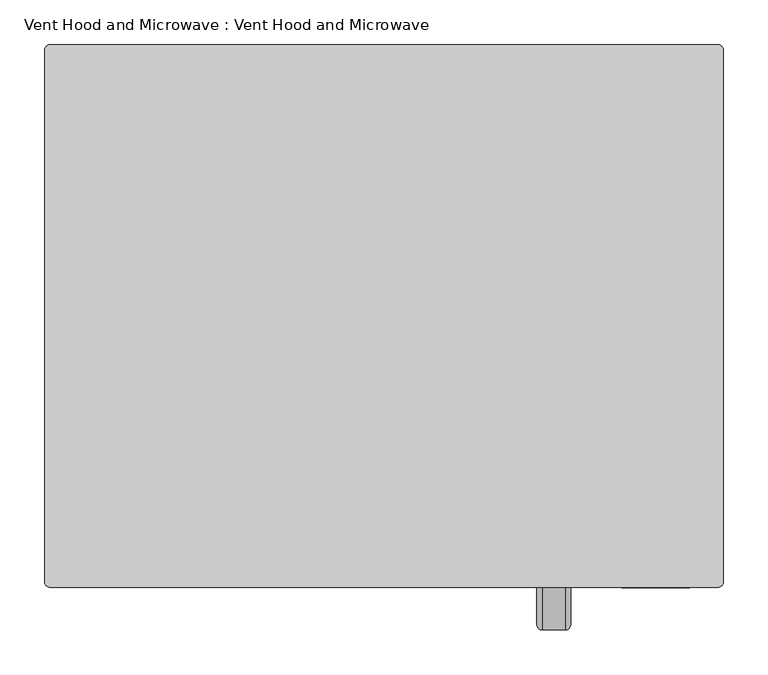
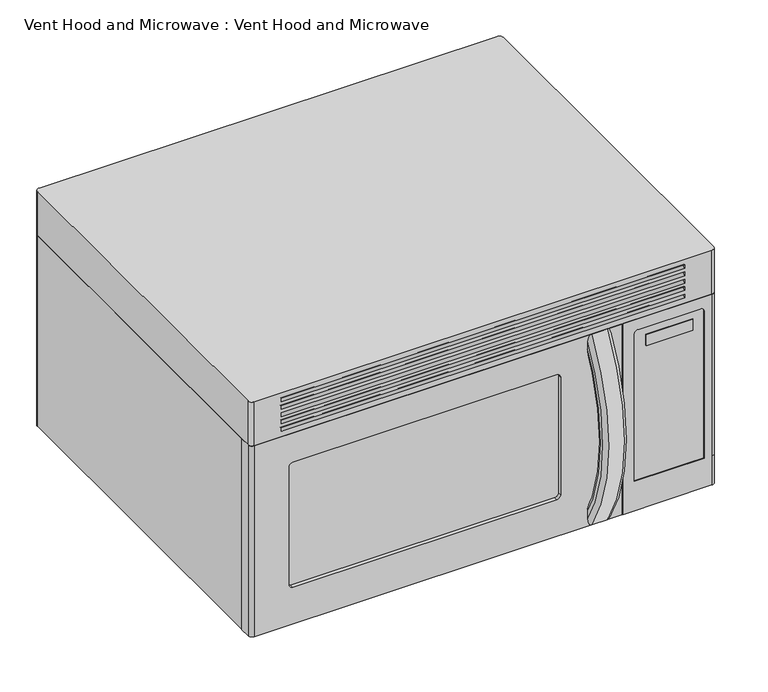
"""IFC4 building model written with IfcOpenShell, lengths in millimetres: proxy geometry, Vent Hood and Microwave : Vent Hood and Microwave."""

from ifc_helpers import new_model, si_unit, point, frame, origin, place, context, project, spatial, polyline, circle_curve, ellipse_curve, trimmed, outline, extrude, source, transform, mapped, element, save
from ifc_brep_helpers import plane_surface, cylinder_surface, revolved_surface, advanced_brep


def vent_hood_and_microwave_vent_hood_and_microwave_1915a9a3(model_context):
    return source(origin(), model_context, "Body", "SolidModel", [
        extrude(outline(polyline([(52.3788287, -76.2226698), (268.2788287, -76.2226698), (268.2788287, -368.3226698), (52.3788287, -368.3226698), (52.3788287, -76.2226698)])), frame((0.0, 0.0, -1.5875), z_axis=(0.0, 0.0, 1.0), x_axis=(1.0, 0.0, 0.0)), (0.0, 0.0, 1.0), 1.5875),
        extrude(outline(polyline([(46.0288287, -69.8726698), (274.6288287, -69.8726698), (274.6288287, -374.6726698), (46.0288287, -374.6726698), (46.0288287, -69.8726698)]), holes=[polyline([(52.3788287, -76.2226698), (52.3788287, -368.3226698), (268.2788287, -368.3226698), (268.2788287, -76.2226698), (52.3788287, -76.2226698)])]), frame((0.0, 0.0, -3.175), z_axis=(0.0, 0.0, 1.0), x_axis=(1.0, 0.0, 0.0)), (0.0, 0.0, 1.0), 3.175),
        extrude(outline(polyline([(-112.7211713, -76.2226698), (-112.7211713, -368.3226698), (-328.6211713, -368.3226698), (-328.6211713, -76.2226698), (-112.7211713, -76.2226698)])), frame((0.0, 0.0, -1.5875), z_axis=(0.0, 0.0, 1.0), x_axis=(1.0, 0.0, 0.0)), (0.0, 0.0, 1.0), 1.5875),
        extrude(outline(polyline([(-106.3711713, -69.8726698), (-106.3711713, -374.6726698), (-334.9711713, -374.6726698), (-334.9711713, -69.8726698), (-106.3711713, -69.8726698)]), holes=[polyline([(-112.7211713, -76.2226698), (-328.6211713, -76.2226698), (-328.6211713, -368.3226698), (-112.7211713, -368.3226698), (-112.7211713, -76.2226698)])]), frame((0.0, 0.0, -3.175), z_axis=(0.0, 0.0, 1.0), x_axis=(1.0, 0.0, 0.0)), (0.0, 0.0, 1.0), 3.175),
        advanced_brep(
        [(173.0288287, -510.9940669, 319.9832967), (147.6288287, -510.9940669, 319.9832967), (141.2788287, -516.3536012, 323.3888645), (141.2788287, -521.7131355, 326.7944322), (147.6288287, -527.0726698, 330.2), (173.0288287, -527.0726698, 330.2), (179.3788287, -521.7131355, 326.7944322), (179.3788287, -516.3536012, 323.3888645), (173.0288287, -510.9940669, 10.2167033), (179.3788287, -516.3536012, 6.8111355), (179.3788287, -521.7131355, 3.4055678), (173.0288287, -527.0726698, 0.0), (147.6288287, -527.0726698, 0.0), (141.2788287, -521.7131355, 3.4055678), (141.2788287, -516.3536012, 6.8111355), (147.6288287, -510.9940669, 10.2167033)],
        [
            (0, 1),
            (1, 2, circle_curve(frame((147.6288287, -516.3536012, 323.3888645), z_axis=(0.0, 0.5363098851818515, 0.8440211532042483), x_axis=(-1.0, 0.0, 0.0)), 6.35)),
            (2, 3),
            (3, 4, circle_curve(frame((147.6288287, -521.7131355, 326.7944322), z_axis=(0.0, 0.5363098851818515, 0.8440211532042483), x_axis=(-1.0, 0.0, 0.0)), 6.35)),
            (4, 5),
            (5, 6, circle_curve(frame((173.0288287, -521.7131355, 326.7944322), z_axis=(0.0, 0.5363098851818515, 0.8440211532042483), x_axis=(-1.0, 0.0, 0.0)), 6.35)),
            (6, 7),
            (7, 0, circle_curve(frame((173.0288287, -516.3536012, 323.3888645), z_axis=(0.0, 0.5363098851818515, 0.8440211532042483), x_axis=(-1.0, 0.0, 0.0)), 6.35)),
            (8, 9, circle_curve(frame((173.0288287, -516.3536012, 6.8111355), z_axis=(0.0, 0.5363098851818809, -0.8440211532042295), x_axis=(-1.0, 0.0, 0.0)), 6.35)),
            (9, 10),
            (10, 11, circle_curve(frame((173.0288287, -521.7131355, 3.4055678), z_axis=(0.0, 0.5363098851818809, -0.8440211532042295), x_axis=(-1.0, 0.0, 0.0)), 6.35)),
            (11, 12),
            (12, 13, circle_curve(frame((147.6288287, -521.7131355, 3.4055678), z_axis=(0.0, 0.5363098851818809, -0.8440211532042295), x_axis=(-1.0, 0.0, 0.0)), 6.35)),
            (13, 14),
            (14, 15, circle_curve(frame((147.6288287, -516.3536012, 6.8111355), z_axis=(0.0, 0.5363098851818809, -0.8440211532042295), x_axis=(-1.0, 0.0, 0.0)), 6.35)),
            (15, 8),
            (15, 1, circle_curve(frame((147.6288287, -267.2454762, 165.1), z_axis=(-1.0, 0.0, 0.0), x_axis=(0.0, -0.8440211532042483, 0.5363098851818515)), 288.7944097)),
            (0, 8, circle_curve(frame((173.0288287, -267.2454762, 165.1), z_axis=(1.0, 0.0, 0.0), x_axis=(0.0, -0.8440211532042483, 0.5363098851818515)), 288.7944097)),
            (14, 2, circle_curve(frame((141.2788287, -267.2454762, 165.1), z_axis=(-1.0, 0.0, 0.0), x_axis=(0.0, -0.8440211532042483, 0.5363098851818515)), 295.1444097)),
            (13, 3, circle_curve(frame((141.2788287, -267.2454762, 165.1), z_axis=(-1.0, 0.0, 0.0), x_axis=(0.0, -0.8440211532042483, 0.5363098851818515)), 301.4944097)),
            (12, 4, circle_curve(frame((147.6288287, -267.2454762, 165.1), z_axis=(-1.0, 0.0, 0.0), x_axis=(0.0, -0.8440211532042483, 0.5363098851818515)), 307.8444097)),
            (11, 5, circle_curve(frame((173.0288287, -267.2454762, 165.1), z_axis=(-1.0, 0.0, 0.0), x_axis=(0.0, -0.8440211532042483, 0.5363098851818515)), 307.8444097)),
            (10, 6, circle_curve(frame((179.3788287, -267.2454762, 165.1), z_axis=(-1.0, 0.0, 0.0), x_axis=(0.0, -0.8440211532042483, 0.5363098851818515)), 301.4944097)),
            (9, 7, circle_curve(frame((179.3788287, -267.2454762, 165.1), z_axis=(-1.0, 0.0, 0.0), x_axis=(0.0, -0.8440211532042483, 0.5363098851818515)), 295.1444097)),
        ],
        [
            plane_surface(frame((160.3288287, -527.0726698, 330.2), z_axis=(0.0, 0.5363098851818515, 0.8440211532042483), x_axis=(-1.0, 0.0, 0.0))),
            plane_surface(frame((160.3288287, -527.0726698, 0.0), z_axis=(0.0, 0.5363098851818812, -0.8440211532042295), x_axis=(-1.0, 0.0, 0.0))),
            revolved_surface(polyline([(173.0288287, -510.99406691393415, 319.9832967073676), (147.6288287, -510.99406691393415, 319.9832967073676)]), (160.3288287, -267.2454762, 165.1), (1.0, 0.0, 0.0)),
            revolved_surface(trimmed(ellipse_curve(frame((147.6288287, -516.3536012, 323.3888645), z_axis=(0.0, 0.5363098851818515, 0.8440211532042483), x_axis=(-1.0, 0.0, 0.0)), 6.35, 6.35), [point((147.6288287, -510.9940669, 319.9832967))], [point((141.2788287, -516.3536012, 323.3888645))], True, "CARTESIAN"), (160.3288287, -267.2454762, 165.1), (1.0, 0.0, 0.0)),
            plane_surface(frame((141.2788287, -267.2454762, 165.1), z_axis=(-1.0, 0.0, 0.0), x_axis=(0.0, -0.8440211532042483, 0.5363098851818515))),
            revolved_surface(trimmed(ellipse_curve(frame((147.6288287, -521.7131355, 326.7944322), z_axis=(0.0, 0.5363098851818515, 0.8440211532042483), x_axis=(-1.0, 0.0, 0.0)), 6.35, 6.35), [point((141.2788287, -521.7131355, 326.7944322))], [point((147.6288287, -527.0726698, 330.2))], True, "CARTESIAN"), (160.3288287, -267.2454762, 165.1), (1.0, 0.0, 0.0)),
            cylinder_surface(frame((160.3288287, -267.2454762, 165.1), z_axis=(1.0, 0.0, 0.0), x_axis=(0.0, -0.8440211532042483, 0.5363098851818515)), 307.8444097),
            revolved_surface(trimmed(ellipse_curve(frame((173.0288287, -521.7131355, 326.7944322), z_axis=(0.0, 0.5363098851818515, 0.8440211532042483), x_axis=(-1.0, 0.0, 0.0)), 6.35, 6.35), [point((173.0288287, -527.0726698, 330.2))], [point((179.3788287, -521.7131355, 326.7944322))], True, "CARTESIAN"), (160.3288287, -267.2454762, 165.1), (1.0, 0.0, 0.0)),
            plane_surface(frame((179.3788287, -267.2454762, 165.1), z_axis=(1.0, 0.0, 0.0), x_axis=(0.0, -0.8440211532042483, 0.5363098851818515))),
            revolved_surface(trimmed(ellipse_curve(frame((173.0288287, -516.3536012, 323.3888645), z_axis=(0.0, 0.5363098851818515, 0.8440211532042483), x_axis=(-1.0, 0.0, 0.0)), 6.35, 6.35), [point((179.3788287, -516.3536012, 323.3888645))], [point((173.0288287, -510.9940669, 319.9832967))], True, "CARTESIAN"), (160.3288287, -267.2454762, 165.1), (1.0, 0.0, 0.0)),
        ],
        [
            (0, [[1, 2, 3, 4, 5, 6, 7, 8]]),
            (1, [[9, 10, 11, 12, 13, 14, 15, 16]]),
            (2, [[17, -1, 18, -16]]),
            (3, [[19, -2, -17, -15]]),
            (4, [[20, -3, -19, -14]]),
            (5, [[21, -4, -20, -13]]),
            (6, [[22, -5, -21, -12]]),
            (7, [[23, -6, -22, -11]]),
            (8, [[24, -7, -23, -10]]),
            (9, [[-18, -8, -24, -9]]),
        ],
    ),
        extrude(outline(polyline([(109.5288287, -520.7226698), (-360.3711713, -520.7226698), (-360.3711713, -517.5476698), (109.5288287, -517.5476698), (109.5288287, -520.7226698)])), frame((0.0, 0.0, 50.8), z_axis=(0.0, 0.0, 1.0), x_axis=(1.0, 0.0, 0.0)), (0.0, 0.0, 1.0), 241.3),
        advanced_brep(
        [(196.8413287, -503.2601698, 330.2), (-411.1711713, -503.2601698, 330.2), (-411.1711713, -520.7226698, 330.2), (-404.8211713, -527.0726698, 330.2), (196.8413287, -527.0726698, 330.2), (196.8413287, -503.2601698, 0.0), (196.8413287, -527.0726698, 0.0), (-404.8211713, -527.0726698, 0.0), (-411.1711713, -520.7226698, 0.0), (-411.1711713, -503.2601698, 0.0), (96.8288287, -503.2601698, 69.85), (96.8288287, -503.2601698, 273.05), (90.4788287, -503.2601698, 279.4), (-341.3211713, -503.2601698, 279.4), (-347.6711713, -503.2601698, 273.05), (-347.6711713, -503.2601698, 69.85), (-341.3211713, -503.2601698, 63.5), (90.4788287, -503.2601698, 63.5), (96.8288287, -527.0726698, 273.05), (96.8288287, -527.0726698, 69.85), (90.4788287, -527.0726698, 63.5), (-341.3211713, -527.0726698, 63.5), (-347.6711713, -527.0726698, 69.85), (-347.6711713, -527.0726698, 273.05), (-341.3211713, -527.0726698, 279.4), (90.4788287, -527.0726698, 279.4)],
        [
            (0, 1),
            (1, 2),
            (2, 3, circle_curve(frame((-404.8211713, -520.7226698, 330.2), z_axis=(0.0, 0.0, 1.0), x_axis=(1.0, 0.0, 0.0)), 6.35)),
            (3, 4),
            (4, 0),
            (5, 6),
            (6, 7),
            (7, 8, circle_curve(frame((-404.8211713, -520.7226698, 0.0), z_axis=(0.0, 0.0, -1.0), x_axis=(1.0, 0.0, 0.0)), 6.35)),
            (8, 9),
            (9, 5),
            (0, 5),
            (9, 1),
            (10, 11),
            (11, 12, circle_curve(frame((90.4788287, -503.2601698, 273.05), z_axis=(0.0, -1.0, 0.0), x_axis=(0.0, 0.0, 1.0)), 6.35)),
            (12, 13),
            (13, 14, circle_curve(frame((-341.3211713, -503.2601698, 273.05), z_axis=(0.0, -1.0, 0.0), x_axis=(0.0, 0.0, 1.0)), 6.35)),
            (14, 15),
            (15, 16, circle_curve(frame((-341.3211713, -503.2601698, 69.85), z_axis=(0.0, -1.0, 0.0), x_axis=(0.0, 0.0, 1.0)), 6.35)),
            (16, 17),
            (17, 10, circle_curve(frame((90.4788287, -503.2601698, 69.85), z_axis=(0.0, -1.0, 0.0), x_axis=(0.0, 0.0, 1.0)), 6.35)),
            (8, 2),
            (7, 3),
            (6, 4),
            (18, 19),
            (19, 20, circle_curve(frame((90.4788287, -527.0726698, 69.85), z_axis=(0.0, 1.0, 0.0), x_axis=(0.0, 0.0, 1.0)), 6.35)),
            (20, 21),
            (21, 22, circle_curve(frame((-341.3211713, -527.0726698, 69.85), z_axis=(0.0, 1.0, 0.0), x_axis=(0.0, 0.0, 1.0)), 6.35)),
            (22, 23),
            (23, 24, circle_curve(frame((-341.3211713, -527.0726698, 273.05), z_axis=(0.0, 1.0, 0.0), x_axis=(0.0, 0.0, 1.0)), 6.35)),
            (24, 25),
            (25, 18, circle_curve(frame((90.4788287, -527.0726698, 273.05), z_axis=(0.0, 1.0, 0.0), x_axis=(0.0, 0.0, 1.0)), 6.35)),
            (11, 18),
            (25, 12),
            (10, 19),
            (17, 20),
            (16, 21),
            (15, 22),
            (14, 23),
            (13, 24),
        ],
        [
            plane_surface(frame((-411.1711713, -503.2601698, 330.2), z_axis=(0.0, 0.0, 1.0), x_axis=(-1.0, 0.0, 0.0))),
            plane_surface(frame((-411.1711713, -503.2601698, 0.0), z_axis=(0.0, 0.0, -1.0), x_axis=(1.0, 0.0, 0.0))),
            plane_surface(frame((196.8413287, -503.2601698, 330.2), z_axis=(0.0, 1.0, 0.0), x_axis=(0.0, 0.0, -1.0))),
            plane_surface(frame((-411.1711713, -503.2601698, 330.2), z_axis=(-1.0, 0.0, 0.0), x_axis=(0.0, 0.0, -1.0))),
            cylinder_surface(frame((-404.8211713, -520.7226698, 0.0), z_axis=(0.0, 0.0, 1.0), x_axis=(1.0, 0.0, 0.0)), 6.35),
            plane_surface(frame((-404.8211713, -527.0726698, 330.2), z_axis=(0.0, -1.0, 0.0), x_axis=(0.0, 0.0, -1.0))),
            plane_surface(frame((196.8413287, -527.0726698, 330.2), z_axis=(1.0, 0.0, 0.0), x_axis=(0.0, 0.0, -1.0))),
            revolved_surface(polyline([(90.4788287, -503.2601698, 279.40000000000003), (90.4788287, -527.0726698, 279.40000000000003)]), (90.4788287, -527.0726698, 273.05), (0.0, 1.0, 0.0)),
            plane_surface(frame((96.8288287, -476.2726698, 273.05), z_axis=(-1.0, 0.0, 0.0), x_axis=(0.0, -1.0, 0.0))),
            revolved_surface(polyline([(90.4788287, -503.2601698, 76.19999999999999), (90.4788287, -527.0726698, 76.19999999999999)]), (90.4788287, -527.0726698, 69.85), (0.0, 1.0, 0.0)),
            plane_surface(frame((90.4788287, -476.2726698, 63.5), z_axis=(0.0, 0.0, 1.0), x_axis=(0.0, -1.0, 0.0))),
            revolved_surface(polyline([(-341.3211713, -503.2601698, 76.19999999999999), (-341.3211713, -527.0726698, 76.19999999999999)]), (-341.3211713, -527.0726698, 69.85), (0.0, 1.0, 0.0)),
            plane_surface(frame((-347.6711713, -476.2726698, 69.85), z_axis=(1.0, 0.0, 0.0), x_axis=(0.0, -1.0, 0.0))),
            revolved_surface(polyline([(-341.3211713, -503.2601698, 279.40000000000003), (-341.3211713, -527.0726698, 279.40000000000003)]), (-341.3211713, -527.0726698, 273.05), (0.0, 1.0, 0.0)),
            plane_surface(frame((-341.3211713, -476.2726698, 279.4), z_axis=(0.0, 0.0, -1.0), x_axis=(0.0, -1.0, 0.0))),
        ],
        [
            (0, [[1, 2, 3, 4, 5]]),
            (1, [[6, 7, 8, 9, 10]]),
            (2, [[-1, 11, -10, 12], [13, 14, 15, 16, 17, 18, 19, 20]]),
            (3, [[-2, -12, -9, 21]]),
            (4, [[-3, -21, -8, 22]]),
            (5, [[-4, -22, -7, 23], [24, 25, 26, 27, 28, 29, 30, 31]]),
            (6, [[-5, -23, -6, -11]]),
            (7, [[32, -31, 33, -14]]),
            (8, [[-32, -13, 34, -24]]),
            (9, [[35, -25, -34, -20]]),
            (10, [[-35, -19, 36, -26]]),
            (11, [[37, -27, -36, -18]]),
            (12, [[-37, -17, 38, -28]]),
            (13, [[39, -29, -38, -16]]),
            (14, [[-39, -15, -33, -30]]),
        ],
    ),
        extrude(outline(polyline([(312.7288287, -527.8664198), (236.5288287, -527.8664198), (236.5288287, -527.0726698), (312.7288287, -527.0726698), (312.7288287, -527.8664198)])), frame((0.0, 0.0, 279.413632), z_axis=(0.0, 0.0, 1.0), x_axis=(1.0, 0.0, 0.0)), (0.0, 0.0, 1.0), 19.05),
        advanced_brep(
        [(-411.1711713, 76.1773302, 330.2), (-411.1711713, -501.6726698, 330.2), (-385.7711713, -501.6726698, 330.2), (-385.7711713, 57.1273302, 330.2), (198.4288287, 57.1273302, 330.2), (198.4288287, -527.0726698, 330.2), (344.4788287, -527.0726698, 330.2), (350.8288287, -520.7226698, 330.2), (350.8288287, 76.1773302, 330.2), (344.4788287, 82.5273302, 330.2), (-404.8211713, 82.5273302, 330.2), (-411.1711713, 76.1773302, 50.8), (-411.1711713, 76.1773302, 0.0), (-411.1711713, -501.6726698, 0.0), (198.4288287, -501.6726698, 0.0), (198.4288287, -501.6726698, 50.8), (-385.7711713, -501.6726698, 50.8), (-385.7711713, 57.1273302, 50.8), (198.4288287, 57.1273302, 50.8), (198.4288287, -527.0726698, 0.0), (344.4788287, -527.0726698, 0.0), (344.4788287, -527.0726698, 50.8), (331.7788287, -527.0726698, 304.813632), (331.7788287, -527.0726698, 50.8), (217.4788287, -527.0726698, 50.8), (217.4788287, -527.0726698, 304.813632), (223.8288287, -527.0726698, 311.163632), (325.4288287, -527.0726698, 311.163632), (350.8288287, -520.7226698, 50.8), (350.8288287, -520.7226698, 0.0), (350.8288287, 76.1773302, 0.0), (350.8288287, 76.1773302, 50.8), (344.4788287, 82.5273302, 50.8), (344.4788287, 82.5273302, 0.0), (-404.8211713, 82.5273302, 0.0), (-404.8211713, 82.5273302, 50.8), (331.7788287, -525.4851698, 304.813632), (325.4288287, -525.4851698, 311.163632), (223.8288287, -525.4851698, 311.163632), (217.4788287, -525.4851698, 304.813632), (217.4788287, -525.4851698, 50.8), (331.7788287, -525.4851698, 50.8)],
        [
            (0, 1),
            (1, 2),
            (2, 3),
            (3, 4),
            (4, 5),
            (5, 6),
            (6, 7, circle_curve(frame((344.4788287, -520.7226698, 330.2), z_axis=(0.0, 0.0, 1.0), x_axis=(1.0, 0.0, 0.0)), 6.35)),
            (7, 8),
            (8, 9, circle_curve(frame((344.4788287, 76.1773302, 330.2), z_axis=(0.0, 0.0, 1.0), x_axis=(1.0, 0.0, 0.0)), 6.35)),
            (9, 10),
            (10, 0, circle_curve(frame((-404.8211713, 76.1773302, 330.2), z_axis=(0.0, 0.0, 1.0), x_axis=(1.0, 0.0, 0.0)), 6.35)),
            (0, 11),
            (11, 12),
            (12, 13),
            (13, 1),
            (13, 14),
            (14, 15),
            (15, 16),
            (16, 2),
            (16, 17),
            (17, 3),
            (17, 18),
            (18, 4),
            (18, 15),
            (14, 19),
            (19, 5),
            (19, 20),
            (20, 21),
            (21, 6),
            (22, 23),
            (23, 24),
            (24, 25),
            (25, 26, circle_curve(frame((223.8288287, -527.0726698, 304.813632), z_axis=(0.0, 1.0, 0.0), x_axis=(0.0, 0.0, 1.0)), 6.35)),
            (26, 27),
            (27, 22, circle_curve(frame((325.4288287, -527.0726698, 304.813632), z_axis=(0.0, 1.0, 0.0), x_axis=(0.0, 0.0, 1.0)), 6.35)),
            (21, 28, circle_curve(frame((344.4788287, -520.7226698, 50.8), z_axis=(0.0, 0.0, 1.0), x_axis=(1.0, 0.0, 0.0)), 6.35)),
            (28, 7),
            (28, 29),
            (29, 30),
            (30, 31),
            (31, 8),
            (31, 32, circle_curve(frame((344.4788287, 76.1773302, 50.8), z_axis=(0.0, 0.0, 1.0), x_axis=(1.0, 0.0, 0.0)), 6.35)),
            (32, 9),
            (32, 33),
            (33, 34),
            (34, 35),
            (35, 10),
            (35, 11, circle_curve(frame((-404.8211713, 76.1773302, 50.8), z_axis=(0.0, 0.0, 1.0), x_axis=(1.0, 0.0, 0.0)), 6.35)),
            (36, 37, circle_curve(frame((325.4288287, -525.4851698, 304.813632), z_axis=(0.0, -1.0, 0.0), x_axis=(0.0, 0.0, 1.0)), 6.35)),
            (37, 38),
            (38, 39, circle_curve(frame((223.8288287, -525.4851698, 304.813632), z_axis=(0.0, -1.0, 0.0), x_axis=(0.0, 0.0, 1.0)), 6.35)),
            (39, 40),
            (40, 41),
            (41, 36),
            (39, 25),
            (24, 40),
            (38, 26),
            (37, 27),
            (36, 22),
            (41, 23),
            (12, 34, circle_curve(frame((-404.8211713, 76.1773302, 0.0), z_axis=(0.0, 0.0, -1.0), x_axis=(1.0, 0.0, 0.0)), 6.35)),
            (33, 30, circle_curve(frame((344.4788287, 76.1773302, 0.0), z_axis=(0.0, 0.0, -1.0), x_axis=(1.0, 0.0, 0.0)), 6.35)),
            (29, 20, circle_curve(frame((344.4788287, -520.7226698, 0.0), z_axis=(0.0, 0.0, -1.0), x_axis=(1.0, 0.0, 0.0)), 6.35)),
        ],
        [
            plane_surface(frame((-411.1711713, -501.6726698, 330.2), z_axis=(0.0, 0.0, 1.0), x_axis=(0.0, -1.0, 0.0))),
            plane_surface(frame((-411.1711713, 76.1773302, 330.2), z_axis=(-1.0, 0.0, 0.0), x_axis=(0.0, 0.0, -1.0))),
            plane_surface(frame((-411.1711713, -501.6726698, 330.2), z_axis=(0.0, -1.0, 0.0), x_axis=(0.0, 0.0, -1.0))),
            plane_surface(frame((-385.7711713, -501.6726698, 330.2), z_axis=(1.0, 0.0, 0.0), x_axis=(0.0, 0.0, -1.0))),
            plane_surface(frame((-385.7711713, 57.1273302, 330.2), z_axis=(0.0, -1.0, 0.0), x_axis=(0.0, 0.0, -1.0))),
            plane_surface(frame((198.4288287, 57.1273302, 330.2), z_axis=(-1.0, 0.0, 0.0), x_axis=(0.0, 0.0, -1.0))),
            plane_surface(frame((198.4288287, -527.0726698, 330.2), z_axis=(0.0, -1.0, 0.0), x_axis=(0.0, 0.0, -1.0))),
            cylinder_surface(frame((344.4788287, -520.7226698, 50.8), z_axis=(0.0, 0.0, 1.0), x_axis=(1.0, 0.0, 0.0)), 6.35),
            plane_surface(frame((350.8288287, -520.7226698, 330.2), z_axis=(1.0, 0.0, 0.0), x_axis=(0.0, 0.0, -1.0))),
            cylinder_surface(frame((344.4788287, 76.1773302, 50.8), z_axis=(0.0, 0.0, 1.0), x_axis=(1.0, 0.0, 0.0)), 6.35),
            plane_surface(frame((344.4788287, 82.5273302, 330.2), z_axis=(0.0, 1.0, 0.0), x_axis=(0.0, 0.0, -1.0))),
            cylinder_surface(frame((-404.8211713, 76.1773302, 50.8), z_axis=(0.0, 0.0, 1.0), x_axis=(1.0, 0.0, 0.0)), 6.35),
            plane_surface(frame((223.8288287, -525.4851698, 19.063632), z_axis=(0.0, -1.0, 0.0), x_axis=(-1.0, 0.0, 0.0))),
            plane_surface(frame((217.4788287, -525.4851698, 25.413632), z_axis=(1.0, 0.0, 0.0), x_axis=(0.0, -1.0, 0.0))),
            revolved_surface(polyline([(223.8288287, -525.4851698, 311.163632), (223.8288287, -527.0726698, 311.163632)]), (223.8288287, -527.0726698, 304.813632), (0.0, 1.0, 0.0)),
            plane_surface(frame((223.8288287, -525.4851698, 311.163632), z_axis=(0.0, 0.0, -1.0), x_axis=(0.0, -1.0, 0.0))),
            revolved_surface(polyline([(325.4288287, -525.4851698, 311.163632), (325.4288287, -527.0726698, 311.163632)]), (325.4288287, -527.0726698, 304.813632), (0.0, 1.0, 0.0)),
            plane_surface(frame((331.7788287, -525.4851698, 304.813632), z_axis=(-1.0, 0.0, 0.0), x_axis=(0.0, -1.0, 0.0))),
            plane_surface(frame((-411.1711713, -501.6726698, 50.8), z_axis=(0.0, 0.0, 1.0), x_axis=(0.0, -1.0, 0.0))),
            plane_surface(frame((-411.1711713, -501.6726698, 0.0), z_axis=(0.0, 0.0, -1.0), x_axis=(0.0, 1.0, 0.0))),
            cylinder_surface(frame((344.4788287, -520.7226698, 0.0), z_axis=(0.0, 0.0, 1.0), x_axis=(1.0, 0.0, 0.0)), 6.35),
            cylinder_surface(frame((344.4788287, 76.1773302, 0.0), z_axis=(0.0, 0.0, 1.0), x_axis=(1.0, 0.0, 0.0)), 6.35),
            cylinder_surface(frame((-404.8211713, 76.1773302, 0.0), z_axis=(0.0, 0.0, 1.0), x_axis=(1.0, 0.0, 0.0)), 6.35),
        ],
        [
            (0, [[1, 2, 3, 4, 5, 6, 7, 8, 9, 10, 11]]),
            (1, [[-1, 12, 13, 14, 15]]),
            (2, [[-2, -15, 16, 17, 18, 19]]),
            (3, [[-3, -19, 20, 21]]),
            (4, [[-4, -21, 22, 23]]),
            (5, [[-5, -23, 24, -17, 25, 26]]),
            (6, [[-6, -26, 27, 28, 29], [30, 31, 32, 33, 34, 35]]),
            (7, [[-7, -29, 36, 37]]),
            (8, [[-8, -37, 38, 39, 40, 41]]),
            (9, [[-9, -41, 42, 43]]),
            (10, [[-10, -43, 44, 45, 46, 47]]),
            (11, [[-11, -47, 48, -12]]),
            (12, [[49, 50, 51, 52, 53, 54]]),
            (13, [[55, -32, 56, -52]]),
            (14, [[-51, 57, -33, -55]]),
            (15, [[-50, 58, -34, -57]]),
            (16, [[-49, 59, -35, -58]]),
            (17, [[-59, -54, 60, -30]]),
            (18, [[-31, -60, -53, -56]]),
            (18, [[-18, -24, -22, -20]]),
            (19, [[61, -45, 62, -39, 63, -27, -25, -16, -14]]),
            (20, [[-63, -38, -36, -28]]),
            (21, [[-62, -44, -42, -40]]),
            (22, [[-61, -13, -48, -46]]),
        ],
    ),
        advanced_brep(
        [(344.4788287, 82.5273302, 330.2), (350.8288287, 76.1773302, 330.2), (350.8288287, -520.7226698, 330.2), (344.4788287, -527.0726698, 330.2), (-404.8211713, -527.0726698, 330.2), (-411.1711713, -520.7226698, 330.2), (-411.1711713, 76.1773302, 330.2), (-404.8211713, 82.5273302, 330.2), (344.4788287, 82.5273302, 406.4), (-404.8211713, 82.5273302, 406.4), (-411.1711713, 76.1773302, 406.4), (-411.1711713, -520.7226698, 406.4), (-404.8211713, -527.0726698, 406.4), (344.4788287, -527.0726698, 406.4), (350.8288287, -520.7226698, 406.4), (350.8288287, 76.1773302, 406.4), (-360.3711713, -527.0726698, 390.4959324), (-360.3711713, -527.0726698, 396.9040676), (300.0288287, -527.0726698, 396.9040676), (300.0288287, -527.0726698, 390.4959324), (-360.3711713, -527.0726698, 365.125), (-360.3711713, -527.0726698, 371.475), (300.0288287, -527.0726698, 371.475), (300.0288287, -527.0726698, 365.125), (-360.3711713, -527.0726698, 377.825), (-360.3711713, -527.0726698, 384.175), (300.0288287, -527.0726698, 384.175), (300.0288287, -527.0726698, 377.825), (-360.3711713, -527.0726698, 339.725), (-360.3711713, -527.0726698, 346.075), (300.0288287, -527.0726698, 346.075), (300.0288287, -527.0726698, 339.725), (-360.3711713, -527.0726698, 352.425), (-360.3711713, -527.0726698, 358.775), (300.0288287, -527.0726698, 358.775), (300.0288287, -527.0726698, 352.425)],
        [
            (0, 1, circle_curve(frame((344.4788287, 76.1773302, 330.2), z_axis=(0.0, 0.0, -1.0), x_axis=(0.0, -1.0, 0.0)), 6.35)),
            (1, 2),
            (2, 3, circle_curve(frame((344.4788287, -520.7226698, 330.2), z_axis=(0.0, 0.0, -1.0), x_axis=(0.0, -1.0, 0.0)), 6.35)),
            (3, 4),
            (4, 5, circle_curve(frame((-404.8211713, -520.7226698, 330.2), z_axis=(0.0, 0.0, -1.0), x_axis=(0.0, -1.0, 0.0)), 6.35)),
            (5, 6),
            (6, 7, circle_curve(frame((-404.8211713, 76.1773302, 330.2), z_axis=(0.0, 0.0, -1.0), x_axis=(0.0, -1.0, 0.0)), 6.35)),
            (7, 0),
            (8, 9),
            (9, 10, circle_curve(frame((-404.8211713, 76.1773302, 406.4), z_axis=(0.0, 0.0, 1.0), x_axis=(0.0, -1.0, 0.0)), 6.35)),
            (10, 11),
            (11, 12, circle_curve(frame((-404.8211713, -520.7226698, 406.4), z_axis=(0.0, 0.0, 1.0), x_axis=(0.0, -1.0, 0.0)), 6.35)),
            (12, 13),
            (13, 14, circle_curve(frame((344.4788287, -520.7226698, 406.4), z_axis=(0.0, 0.0, 1.0), x_axis=(0.0, -1.0, 0.0)), 6.35)),
            (14, 15),
            (15, 8, circle_curve(frame((344.4788287, 76.1773302, 406.4), z_axis=(0.0, 0.0, 1.0), x_axis=(0.0, -1.0, 0.0)), 6.35)),
            (0, 8),
            (15, 1),
            (14, 2),
            (13, 3),
            (12, 4),
            (16, 17),
            (17, 18),
            (18, 19),
            (19, 16),
            (20, 21),
            (21, 22),
            (22, 23),
            (23, 20),
            (24, 25),
            (25, 26),
            (26, 27),
            (27, 24),
            (28, 29),
            (29, 30),
            (30, 31),
            (31, 28),
            (32, 33),
            (33, 34),
            (34, 35),
            (35, 32),
            (11, 5),
            (10, 6),
            (9, 7),
            (16, 17, circle_curve(frame((-360.3711713, -527.0726698, 393.7), z_axis=(1.0, 0.0, 0.0), x_axis=(0.0, 0.0, 1.0)), 3.2040676)),
            (18, 19, circle_curve(frame((300.0288287, -527.0726698, 393.7), z_axis=(-1.0, 0.0, 0.0), x_axis=(0.0, 0.0, 1.0)), 3.2040676)),
            (24, 25, circle_curve(frame((-360.3711713, -527.0726698, 381.0), z_axis=(1.0, 0.0, 0.0), x_axis=(0.0, 0.0, 1.0)), 3.175)),
            (28, 29, circle_curve(frame((-360.3711713, -527.0726698, 342.9), z_axis=(1.0, 0.0, 0.0), x_axis=(0.0, 0.0, 1.0)), 3.175)),
            (32, 33, circle_curve(frame((-360.3711713, -527.0726698, 355.6), z_axis=(1.0, 0.0, 0.0), x_axis=(0.0, 0.0, 1.0)), 3.175)),
            (20, 21, circle_curve(frame((-360.3711713, -527.0726698, 368.3), z_axis=(1.0, 0.0, 0.0), x_axis=(0.0, 0.0, 1.0)), 3.175)),
            (22, 23, circle_curve(frame((300.0288287, -527.0726698, 368.3), z_axis=(-1.0, 0.0, 0.0), x_axis=(0.0, 0.0, 1.0)), 3.175)),
            (34, 35, circle_curve(frame((300.0288287, -527.0726698, 355.6), z_axis=(-1.0, 0.0, 0.0), x_axis=(0.0, 0.0, 1.0)), 3.175)),
            (30, 31, circle_curve(frame((300.0288287, -527.0726698, 342.9), z_axis=(-1.0, 0.0, 0.0), x_axis=(0.0, 0.0, 1.0)), 3.175)),
            (26, 27, circle_curve(frame((300.0288287, -527.0726698, 381.0), z_axis=(-1.0, 0.0, 0.0), x_axis=(0.0, 0.0, 1.0)), 3.175)),
        ],
        [
            plane_surface(frame((344.4788287, 69.8273302, 330.2), z_axis=(0.0, 0.0, -1.0), x_axis=(-1.0, 0.0, 0.0))),
            plane_surface(frame((344.4788287, 69.8273302, 406.4), z_axis=(0.0, 0.0, 1.0), x_axis=(1.0, 0.0, 0.0))),
            cylinder_surface(frame((344.4788287, 76.1773302, 406.4), z_axis=(0.0, 0.0, -1.0), x_axis=(0.0, -1.0, 0.0)), 6.35),
            plane_surface(frame((350.8288287, 76.1773302, 330.2), z_axis=(1.0, 0.0, 0.0), x_axis=(0.0, 0.0, 1.0))),
            cylinder_surface(frame((344.4788287, -520.7226698, 406.4), z_axis=(0.0, 0.0, -1.0), x_axis=(0.0, -1.0, 0.0)), 6.35),
            plane_surface(frame((344.4788287, -527.0726698, 330.2), z_axis=(0.0, -1.0, 0.0), x_axis=(0.0, 0.0, 1.0))),
            cylinder_surface(frame((-404.8211713, -520.7226698, 406.4), z_axis=(0.0, 0.0, -1.0), x_axis=(0.0, -1.0, 0.0)), 6.35),
            plane_surface(frame((-411.1711713, -520.7226698, 330.2), z_axis=(-1.0, 0.0, 0.0), x_axis=(0.0, 0.0, 1.0))),
            cylinder_surface(frame((-404.8211713, 76.1773302, 406.4), z_axis=(0.0, 0.0, -1.0), x_axis=(0.0, -1.0, 0.0)), 6.35),
            plane_surface(frame((-404.8211713, 82.5273302, 330.2), z_axis=(0.0, 1.0, 0.0), x_axis=(0.0, 0.0, 1.0))),
            plane_surface(frame((-360.3711713, -527.0726698, 393.7), z_axis=(1.0, 0.0, 0.0), x_axis=(0.0, -1.0, 0.0))),
            plane_surface(frame((300.0288287, -527.0726698, 393.7), z_axis=(-1.0, 0.0, 0.0), x_axis=(0.0, -1.0, 0.0))),
            revolved_surface(polyline([(-360.3711713, -527.0726698, 396.90406759999996), (300.0288287000001, -527.0726698, 396.90406759999996)]), (-360.3711713, -527.0726698, 393.7), (-1.0, 0.0, 0.0)),
            plane_surface(frame((-360.3711713, -527.0726698, 381.0), z_axis=(1.0, 0.0, 0.0), x_axis=(0.0, -1.0, 0.0))),
            plane_surface(frame((300.0288287, -527.0726698, 381.0), z_axis=(-1.0, 0.0, 0.0), x_axis=(0.0, -1.0, 0.0))),
            revolved_surface(polyline([(-360.3711713, -527.0726698, 371.475), (300.0288287000001, -527.0726698, 371.475)]), (-360.3711713, -527.0726698, 368.3), (-1.0, 0.0, 0.0)),
            revolved_surface(polyline([(-360.3711713, -527.0726698, 358.77500000000003), (300.0288287000001, -527.0726698, 358.77500000000003)]), (-360.3711713, -527.0726698, 355.6), (-1.0, 0.0, 0.0)),
            revolved_surface(polyline([(-360.3711713, -527.0726698, 346.075), (300.0288287000001, -527.0726698, 346.075)]), (-360.3711713, -527.0726698, 342.9), (-1.0, 0.0, 0.0)),
            revolved_surface(polyline([(-360.3711713, -527.0726698, 384.175), (300.0288287000001, -527.0726698, 384.175)]), (-360.3711713, -527.0726698, 381.0), (-1.0, 0.0, 0.0)),
        ],
        [
            (0, [[1, 2, 3, 4, 5, 6, 7, 8]]),
            (1, [[9, 10, 11, 12, 13, 14, 15, 16]]),
            (2, [[-1, 17, -16, 18]]),
            (3, [[-2, -18, -15, 19]]),
            (4, [[-3, -19, -14, 20]]),
            (5, [[-4, -20, -13, 21], [22, 23, 24, 25], [26, 27, 28, 29], [30, 31, 32, 33], [34, 35, 36, 37], [38, 39, 40, 41]]),
            (6, [[-5, -21, -12, 42]]),
            (7, [[-6, -42, -11, 43]]),
            (8, [[-7, -43, -10, 44]]),
            (9, [[-8, -44, -9, -17]]),
            (10, [[45, -22]]),
            (11, [[46, -24]]),
            (12, [[-45, -25, -46, -23]]),
            (13, [[47, -30]]),
            (13, [[48, -34]]),
            (13, [[49, -38]]),
            (13, [[50, -26]]),
            (14, [[51, -28]]),
            (14, [[52, -40]]),
            (14, [[53, -36]]),
            (14, [[54, -32]]),
            (15, [[-50, -29, -51, -27]]),
            (16, [[-49, -41, -52, -39]]),
            (17, [[-48, -37, -53, -35]]),
            (18, [[-47, -33, -54, -31]]),
        ],
    ),
    ])


if __name__ == "__main__":
    model = new_model("IFC4")
    model_context = context("Model", 3, world=origin())
    ifc_project = project(units=[si_unit("LENGTHUNIT", "METRE", prefix="MILLI")], contexts=[model_context])
    site = spatial("IfcSite", under=ifc_project)
    building = spatial("IfcBuilding", under=site)
    placement = place(None, origin())
    vent_hood_and_microwave_vent_hood_and_microwave_shape = vent_hood_and_microwave_vent_hood_and_microwave_1915a9a3(model_context)
    element("IfcBuildingElementProxy", 1, Name="Vent Hood and Microwave : Vent Hood and Microwave", ObjectType="Vent Hood and Microwave : Vent Hood and Microwave", at=placement, inside=building, context=model_context, shape_type="MappedRepresentation", body=[
        mapped(vent_hood_and_microwave_vent_hood_and_microwave_shape, transform((0.0, 0.0, 0.0), x_axis=(1.0, 0.0, 0.0), y_axis=(0.0, 1.0, 0.0), z_axis=(0.0, 0.0, 1.0))),
    ])
    save(model, "model.ifc")
